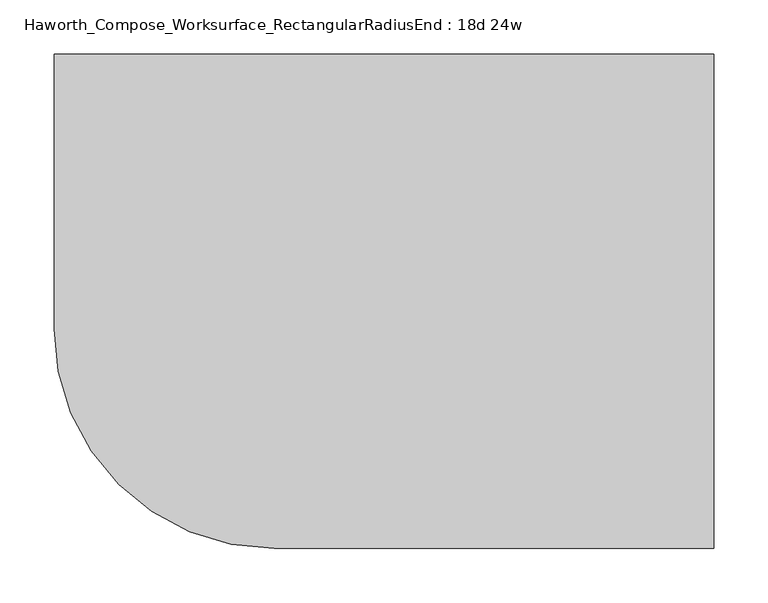
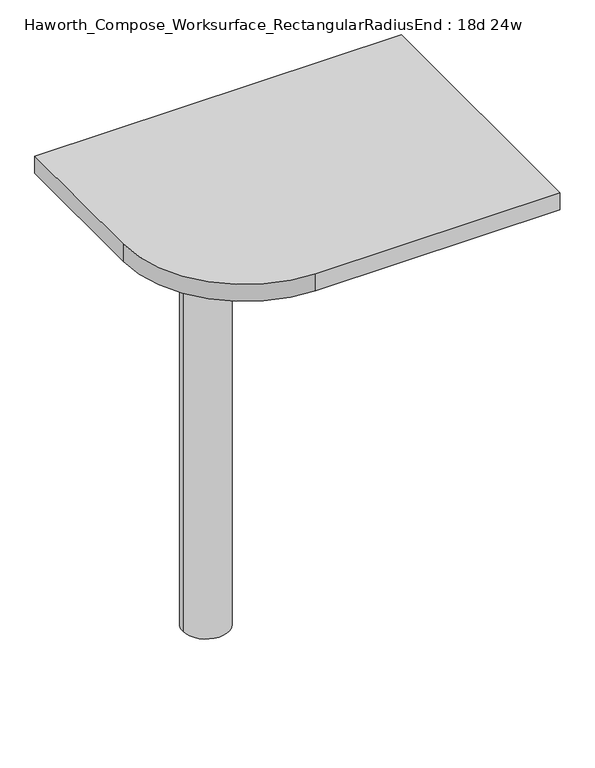
"""IFC4 building model written with IfcOpenShell, lengths in millimetres: furniture geometry, Haworth_Compose_Worksurface_RectangularRadiusEnd : 18d 24w."""

from ifc_helpers import new_model, si_unit, point, frame, frame_2d, origin, place, context, project, spatial, polyline, circle_curve, trimmed, segment, composite_curve, outline, extrude, source, transform, mapped, element, save
from ifc_brep_helpers import plane_surface, cylinder_surface, revolved_surface, advanced_brep


def haworth_compose_worksurface_rectangularradiusend_18d_24w_3647a3b7(model_context):
    return source(origin(), model_context, "Body", "SolidModel", [
        advanced_brep(
        [(299.24375, 228.6, 475.45625), (299.24375, 212.725, 475.45625), (299.24375, -177.8, 691.7192568), (299.24375, -177.8, 704.05625), (299.24375, 212.725, 704.05625), (299.24375, 228.6, 704.05625), (299.24375, 145.290072, 665.95625), (299.24375, 101.6355284, 665.95625), (299.24375, 98.9564235, 656.3705539), (299.24375, 190.6776173, 605.5776439), (299.24375, 200.025, 611.1756969), (299.24375, 200.025, 634.6860246), (299.24375, 198.2730055, 637.5242776), (299.24375, 148.3663437, 665.1613425), (301.625, 228.6, 475.45625), (301.625, 228.6, 704.05625), (301.625, 212.725, 704.05625), (301.625, 212.725, 706.4375), (301.625, -177.8, 706.4375), (301.625, -177.8, 691.7192568), (301.625, 212.725, 475.45625), (301.625, 145.290072, 665.95625), (301.625, 148.3663437, 665.1613425), (301.625, 198.2730055, 637.5242776), (301.625, 200.025, 634.6860246), (301.625, 200.025, 611.1756969), (301.625, 190.6776173, 605.5776439), (301.625, 98.9564235, 656.3705539), (301.625, 101.6355284, 665.95625), (260.35, -177.8, 706.4375), (260.35, -177.8, 704.05625), (260.35, 212.725, 704.05625), (260.35, 212.725, 706.4375)],
        [
            (0, 1),
            (1, 2),
            (2, 3),
            (3, 4),
            (4, 5),
            (5, 0),
            (6, 7),
            (7, 8, circle_curve(frame((299.24375, 101.6355284, 660.7890106), z_axis=(1.0, 0.0, 0.0), x_axis=(0.0, -1.0, 0.0)), 5.1672394)),
            (8, 9),
            (9, 10, circle_curve(frame((299.24375, 193.675, 611.1756969), z_axis=(1.0, 0.0, 0.0), x_axis=(0.0, -1.0, 0.0)), 6.35)),
            (10, 11),
            (11, 12, circle_curve(frame((299.24375, 196.85, 634.6860246), z_axis=(1.0, 0.0, 0.0), x_axis=(0.0, -1.0, 0.0)), 3.175)),
            (12, 13),
            (13, 6, circle_curve(frame((299.24375, 145.290072, 659.60625), z_axis=(1.0, 0.0, 0.0), x_axis=(0.0, -1.0, 0.0)), 6.35)),
            (14, 15),
            (15, 16),
            (16, 17),
            (17, 18),
            (18, 19),
            (19, 20),
            (20, 14),
            (21, 22, circle_curve(frame((301.625, 145.290072, 659.60625), z_axis=(-1.0, 0.0, 0.0), x_axis=(0.0, -1.0, 0.0)), 6.35)),
            (22, 23),
            (23, 24, circle_curve(frame((301.625, 196.85, 634.6860246), z_axis=(-1.0, 0.0, 0.0), x_axis=(0.0, -1.0, 0.0)), 3.175)),
            (24, 25),
            (25, 26, circle_curve(frame((301.625, 193.675, 611.1756969), z_axis=(-1.0, 0.0, 0.0), x_axis=(0.0, -1.0, 0.0)), 6.35)),
            (26, 27),
            (27, 28, circle_curve(frame((301.625, 101.6355284, 660.7890106), z_axis=(-1.0, 0.0, 0.0), x_axis=(0.0, -1.0, 0.0)), 5.1672394)),
            (28, 21),
            (4, 16),
            (15, 5),
            (14, 0),
            (20, 1),
            (19, 2),
            (18, 29),
            (29, 30),
            (30, 3),
            (6, 21),
            (28, 7),
            (9, 26),
            (25, 10),
            (24, 11),
            (23, 12),
            (27, 8),
            (31, 4),
            (30, 31),
            (32, 29),
            (17, 32),
            (31, 32),
            (22, 13),
        ],
        [
            plane_surface(frame((299.24375, 228.6, 475.45625), z_axis=(-1.0, 0.0, 0.0), x_axis=(0.0, 1.0, 0.0))),
            plane_surface(frame((301.625, 228.6, 475.45625), z_axis=(1.0, 0.0, 0.0), x_axis=(0.0, -1.0, 0.0))),
            plane_surface(frame((301.625, -177.8, 704.05625), z_axis=(0.0, 0.0, 1.0), x_axis=(-1.0, 0.0, 0.0))),
            plane_surface(frame((301.625, 228.6, 704.05625), z_axis=(0.0, 1.0, 0.0), x_axis=(-1.0, 0.0, 0.0))),
            plane_surface(frame((301.625, 228.6, 475.45625), z_axis=(0.0, 0.0, -1.0), x_axis=(-1.0, 0.0, 0.0))),
            plane_surface(frame((301.625, 212.725, 475.45625), z_axis=(0.0, -0.48445223513455843, -0.8748177135112952), x_axis=(-1.0, 0.0, 0.0))),
            plane_surface(frame((301.625, -177.8, 691.7192568), z_axis=(0.0, -1.0, 0.0), x_axis=(-1.0, 0.0, 0.0))),
            plane_surface(frame((301.625, 145.290072, 665.95625), z_axis=(0.0, 0.0, -1.0), x_axis=(-1.0, 0.0, 0.0))),
            revolved_surface(polyline([(299.24375, 187.32500000000002, 611.1756969), (301.625, 187.32500000000002, 611.1756969)]), (301.625, 193.675, 611.1756969), (-1.0, 0.0, 0.0)),
            plane_surface(frame((301.625, 200.025, 611.1756969), z_axis=(0.0, -1.0, 0.0), x_axis=(-1.0, 0.0, 0.0))),
            revolved_surface(polyline([(299.24375, 193.67499999999998, 634.6860246), (301.625, 193.67499999999998, 634.6860246)]), (301.625, 196.85, 634.6860246), (-1.0, 0.0, 0.0)),
            revolved_surface(polyline([(299.24375, 96.468289, 660.7890106), (301.625, 96.468289, 660.7890106)]), (301.625, 101.6355284, 660.7890106), (-1.0, 0.0, 0.0)),
            plane_surface(frame((301.625, 212.725, 704.05625), z_axis=(0.0, 0.0, -1.0), x_axis=(-1.0, 0.0, 0.0))),
            plane_surface(frame((301.625, 212.725, 706.4375), z_axis=(0.0, 0.0, 1.0), x_axis=(1.0, 0.0, 0.0))),
            plane_surface(frame((260.35, 212.725, 706.4375), z_axis=(0.0, 1.0, 0.0), x_axis=(0.0, 0.0, -1.0))),
            plane_surface(frame((260.35, -177.8, 706.4375), z_axis=(-1.0, 0.0, 0.0), x_axis=(0.0, 0.0, -1.0))),
            plane_surface(frame((301.625, 98.9564235, 656.3705539), z_axis=(0.0, 0.4844522351345583, 0.8748177135112953), x_axis=(-1.0, 0.0, 0.0))),
            plane_surface(frame((301.625, 198.2730055, 637.5242776), z_axis=(0.0, -0.4844522351345582, -0.8748177135112953), x_axis=(-1.0, 0.0, 0.0))),
            revolved_surface(polyline([(299.24375, 138.94007200000001, 659.60625), (301.625, 138.94007200000001, 659.60625)]), (301.625, 145.290072, 659.60625), (-1.0, 0.0, 0.0)),
        ],
        [
            (0, [[1, 2, 3, 4, 5, 6], [7, 8, 9, 10, 11, 12, 13, 14]]),
            (1, [[15, 16, 17, 18, 19, 20, 21], [22, 23, 24, 25, 26, 27, 28, 29]]),
            (2, [[-5, 30, -16, 31]]),
            (3, [[-31, -15, 32, -6]]),
            (4, [[-32, -21, 33, -1]]),
            (5, [[-33, -20, 34, -2]]),
            (6, [[-34, -19, 35, 36, 37, -3]]),
            (7, [[38, -29, 39, -7]]),
            (8, [[40, -26, 41, -10]]),
            (9, [[-41, -25, 42, -11]]),
            (10, [[-42, -24, 43, -12]]),
            (11, [[-39, -28, 44, -8]]),
            (12, [[45, -4, -37, 46]]),
            (13, [[47, -35, -18, 48]]),
            (14, [[-17, -30, -45, 49, -48]]),
            (15, [[-36, -47, -49, -46]]),
            (16, [[-44, -27, -40, -9]]),
            (17, [[-43, -23, 50, -13]]),
            (18, [[-50, -22, -38, -14]]),
        ],
    ),
        advanced_brep(
        [(-114.3, 0.0, 706.4375), (-190.5, 0.0, 706.4375), (-152.4, 0.0, 706.4375), (-114.3, 0.0, 0.0), (-190.5, 0.0, 0.0), (-152.4, 0.0, 0.0)],
        [
            (0, 1, circle_curve(frame((-152.4, 0.0, 706.4375), z_axis=(0.0, 0.0, 1.0), x_axis=(-1.0, 0.0, 0.0)), 38.1)),
            (1, 2),
            (2, 0),
            (1, 0, circle_curve(frame((-152.4, 0.0, 706.4375), z_axis=(0.0, 0.0, 1.0), x_axis=(-1.0, 0.0, 0.0)), 38.1)),
            (3, 4, circle_curve(frame((-152.4, 0.0, 0.0), z_axis=(0.0, 0.0, 1.0), x_axis=(-1.0, 0.0, 0.0)), 38.1)),
            (4, 1),
            (0, 3),
            (4, 3, circle_curve(frame((-152.4, 0.0, 0.0), z_axis=(0.0, 0.0, 1.0), x_axis=(-1.0, 0.0, 0.0)), 38.1)),
            (5, 4),
            (3, 5),
        ],
        [
            plane_surface(frame((-152.4, 0.0, 706.4375), z_axis=(0.0, 0.0, 1.0), x_axis=(-1.0, 0.0, 0.0))),
            cylinder_surface(frame((-152.4, 0.0, 889.623257), z_axis=(0.0, 0.0, -1.0), x_axis=(-1.0, 0.0, 0.0)), 38.1),
            plane_surface(frame((-152.4, 0.0, 0.0), z_axis=(0.0, 0.0, -1.0), x_axis=(-1.0, 0.0, 0.0))),
        ],
        [
            (0, [[1, 2, 3]]),
            (0, [[4, -3, -2]]),
            (1, [[5, 6, -1, 7]]),
            (1, [[8, -7, -4, -6]]),
            (2, [[9, -5, 10]]),
            (2, [[-10, -8, -9]]),
        ],
    ),
        extrude(outline(composite_curve([segment(polyline([(304.8, 228.6), (304.8, -228.6), (-101.6, -228.6)]), True, "CONTINUOUS"), segment(trimmed(circle_curve(frame_2d((-101.6, -25.4)), 203.2), [point((-101.6, -228.6))], [point((-304.8, -25.4))], False, "CARTESIAN"), True, "CONTINUOUS"), segment(polyline([(-304.8, -25.4), (-304.8, 228.6), (304.8, 228.6)]), True, "CONTINUOUS")], self_intersect=False)), frame((0.0, 0.0, 706.4375), z_axis=(0.0, 0.0, 1.0), x_axis=(1.0, 0.0, 0.0)), (0.0, 0.0, 1.0), 30.1625),
    ])


if __name__ == "__main__":
    model = new_model("IFC4")
    model_context = context("Model", 3, world=origin())
    ifc_project = project(units=[si_unit("LENGTHUNIT", "METRE", prefix="MILLI")], contexts=[model_context])
    site = spatial("IfcSite", under=ifc_project)
    building = spatial("IfcBuilding", under=site)
    placement = place(None, origin())
    haworth_compose_worksurface_rectangularradiusend_18d_24w_shape = haworth_compose_worksurface_rectangularradiusend_18d_24w_3647a3b7(model_context)
    element("IfcFurniture", 1, ObjectType="Haworth_Compose_Worksurface_RectangularRadiusEnd : 18d 24w", at=placement, inside=building, context=model_context, shape_type="MappedRepresentation", body=[
        mapped(haworth_compose_worksurface_rectangularradiusend_18d_24w_shape, transform((0.0, 0.0, 0.0), x_axis=(1.0, 0.0, 0.0), y_axis=(0.0, 1.0, 0.0), z_axis=(0.0, 0.0, 1.0))),
    ])
    save(model, "model.ifc")
